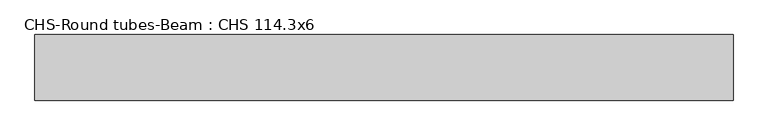
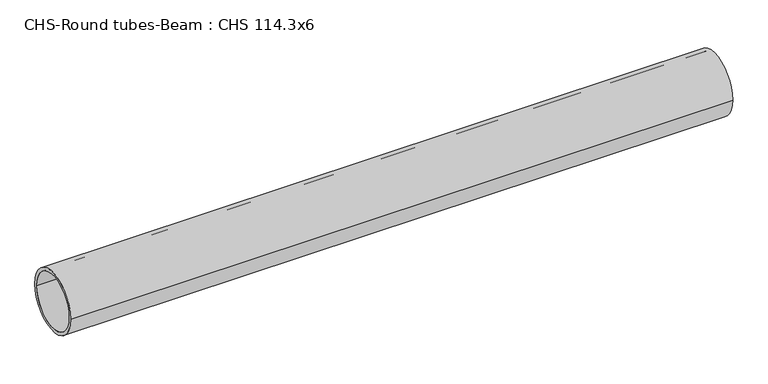
"""IFC4 building model written with IfcOpenShell, lengths in millimetres: beam geometry, CHS-Round tubes-Beam : CHS 114.3x6."""

from ifc_helpers import new_model, si_unit, point, frame, origin, origin_2d, place, context, project, spatial, circle_curve, trimmed, segment, composite_curve, outline, extrude, source, transform, mapped, element, save


def chs_round_tubes_beam_chs_114_3x6_3c1ccd0e(model_context):
    return source(origin(), model_context, "Body", "SweptSolid", [
        extrude(outline(composite_curve([segment(trimmed(circle_curve(origin_2d(), 57.15), [point((57.15, 0.0))], [point((-57.15, 0.0))], False, "CARTESIAN"), True, "CONTINUOUS"), segment(trimmed(circle_curve(origin_2d(), 57.15), [point((-57.15, 0.0))], [point((57.15, 0.0))], False, "CARTESIAN"), True, "CONTINUOUS")], self_intersect=False), holes=[composite_curve([segment(trimmed(circle_curve(origin_2d(), 51.15), [point((51.15, 0.0))], [point((-51.15, 0.0))], True, "CARTESIAN"), True, "CONTINUOUS"), segment(trimmed(circle_curve(origin_2d(), 51.15), [point((-51.15, 0.0))], [point((51.15, 0.0))], True, "CARTESIAN"), True, "CONTINUOUS")], self_intersect=False)]), frame((-585.8945712, 0.0, 0.0), z_axis=(1.0, 0.0, 0.0), x_axis=(0.0, 1.0, 0.0)), (0.0, 0.0, 1.0), 1215.908074),
    ])


if __name__ == "__main__":
    model = new_model("IFC4")
    model_context = context("Model", 3, world=origin())
    ifc_project = project(units=[si_unit("LENGTHUNIT", "METRE", prefix="MILLI")], contexts=[model_context])
    site = spatial("IfcSite", under=ifc_project)
    building = spatial("IfcBuilding", under=site)
    placement = place(None, origin())
    chs_round_tubes_beam_chs_114_3x6_shape = chs_round_tubes_beam_chs_114_3x6_3c1ccd0e(model_context)
    element("IfcBeam", 1, ObjectType="CHS-Round tubes-Beam : CHS 114.3x6", at=placement, inside=building, context=model_context, shape_type="MappedRepresentation", body=[
        mapped(chs_round_tubes_beam_chs_114_3x6_shape, transform((0.0, 0.0, 0.0), x_axis=(1.0, 0.0, 0.0), y_axis=(0.0, 1.0, 0.0), z_axis=(0.0, 0.0, 1.0))),
    ])
    save(model, "model.ifc")
